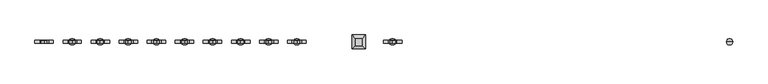
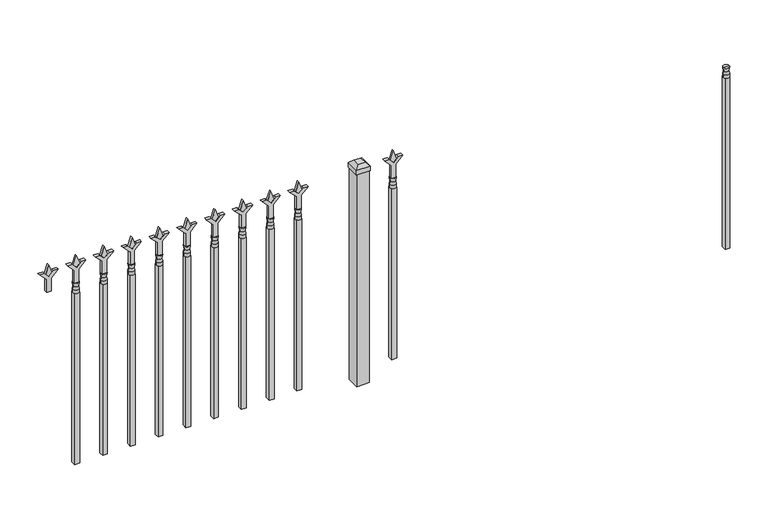
"""IFC4 building model written with IfcOpenShell, lengths in millimetres: railing geometry."""

import ifcopenshell
import ifcopenshell.guid

model = None  # the IFC model being written
_history = None  # IfcOwnerHistory: only IFC2X3 demands one
_inside = {}  # id of a spatial element -> (the spatial element, [elements in it])
_under = {}  # id of a project, library or spatial element -> (it, [spatial elements below it])
_declared = {}  # id of a project -> (the project, [libraries it declares])
_typed = {}  # id of a type object -> (the type object, [elements of that type])
_made_of = {}  # id of a material, layer set ... -> (it, [elements and type objects made of it])


def new_model(schema):
    """Start an empty IFC model of exactly this schema.

    Asked for "IFC4X3", IfcOpenShell would pick the latest addendum, in which some entities
    have other attributes; the version numbers below select the first issue.
    IFC2X3 requires an IfcOwnerHistory on every rooted entity: one is made here for all.
    """
    global model, _history
    if schema == "IFC4X3":
        model = ifcopenshell.file(schema_version=(4, 3, 0, 0))
    else:
        model = ifcopenshell.file(schema=schema)
    _inside.clear()
    _under.clear()
    _declared.clear()
    _typed.clear()
    _made_of.clear()
    _history = None
    if model.schema == "IFC2X3":
        org = make("IfcOrganization", Name="unknown")
        user = make(
            "IfcPersonAndOrganization",
            ThePerson=make("IfcPerson", FamilyName="unknown"),
            TheOrganization=org,
        )
        app = make(
            "IfcApplication",
            ApplicationDeveloper=org,
            Version="unknown",
            ApplicationFullName="unknown",
            ApplicationIdentifier="unknown",
        )
        _history = make(
            "IfcOwnerHistory",
            OwningUser=user,
            OwningApplication=app,
            ChangeAction="ADDED",
            CreationDate=0,
        )
    return model


def make(cls, **values):
    """One entity of the class cls with the attributes given. An attribute that is None is left unset."""
    return model.create_entity(
        cls, **{name: value for name, value in values.items() if value is not None}
    )


def rooted(cls, **values):
    """An entity with a GlobalId (a new one), such as an element, a storey or a relation."""
    return make(cls, GlobalId=ifcopenshell.guid.new(), OwnerHistory=_history, **values)


def si_unit(unit_type, name, prefix=None):
    """IfcSIUnit, for example si_unit("LENGTHUNIT", "METRE", prefix="MILLI")."""
    return make("IfcSIUnit", UnitType=unit_type, Prefix=prefix, Name=name)


def assignment(units):
    """IfcUnitAssignment: the units of a project."""
    return None if units is None else make("IfcUnitAssignment", Units=units)


def point(xyz):
    """IfcCartesianPoint."""
    return None if xyz is None else make("IfcCartesianPoint", Coordinates=xyz)


def direction(xyz):
    """IfcDirection."""
    return None if xyz is None else make("IfcDirection", DirectionRatios=xyz)


def frame(location, z_axis=None, x_axis=None):
    """IfcAxis2Placement3D, a coordinate frame: its origin and axes. An axis left out is left unset."""
    return make(
        "IfcAxis2Placement3D",
        Location=point(location),
        Axis=direction(z_axis),
        RefDirection=direction(x_axis),
    )


def origin():
    """The frame at (0, 0, 0) with its axes left unset."""
    return frame((0.0, 0.0, 0.0))


def origin_with_axes():
    """The frame at (0, 0, 0) with the z axis (0, 0, 1) and the x axis (1, 0, 0) written out."""
    return frame((0.0, 0.0, 0.0), z_axis=(0.0, 0.0, 1.0), x_axis=(1.0, 0.0, 0.0))


def place(relative_to, where):
    """IfcLocalPlacement: puts the frame where relative to a parent placement (None: the world)."""
    return make(
        "IfcLocalPlacement", PlacementRelTo=relative_to, RelativePlacement=where
    )


def context(
    kind, dimensions, precision=None, world=None, true_north=None, identifier=None
):
    """IfcGeometricRepresentationContext, for example the 3D "Model" context."""
    return make(
        "IfcGeometricRepresentationContext",
        ContextIdentifier=identifier,
        ContextType=kind,
        CoordinateSpaceDimension=dimensions,
        Precision=precision,
        WorldCoordinateSystem=world,
        TrueNorth=true_north,
    )


def project(units=None, contexts=None):
    """IfcProject with its units and contexts."""
    return rooted(
        "IfcProject",
        Name="project",
        RepresentationContexts=contexts,
        UnitsInContext=assignment(units),
    )


def spatial(cls, under=None, at=None, **own):
    """A site, building, storey or space (cls), placed at a placement, below another one or the project."""
    s = rooted(cls, ObjectPlacement=at, **own)
    if under is not None:
        _under.setdefault(under.id(), (under, []))[1].append(s)
    return s


def polyline(points):
    """IfcPolyline through the points."""
    return make("IfcPolyline", Points=[point(p) for p in points])


def circle_curve(where, radius):
    """IfcCircle in the frame where."""
    return make("IfcCircle", Position=where, Radius=radius)


def outline(outer, holes=None, kind="AREA"):
    """IfcArbitraryClosedProfileDef: a profile drawn as a closed curve; with holes, ...WithVoids."""
    if holes is None:
        return make("IfcArbitraryClosedProfileDef", ProfileType=kind, OuterCurve=outer)
    return make(
        "IfcArbitraryProfileDefWithVoids",
        ProfileType=kind,
        OuterCurve=outer,
        InnerCurves=holes,
    )


def extrude(swept, where, along, depth):
    """IfcExtrudedAreaSolid: the profile swept, set in the frame where, extruded along a direction by depth."""
    return make(
        "IfcExtrudedAreaSolid",
        SweptArea=swept,
        Position=where,
        ExtrudedDirection=direction(along),
        Depth=depth,
    )


def faces_of(points, faces, orient=None, outer=None):
    """IfcFace entities. A face is a list of loops; a loop is a list of indices into points, from 0.

    orient and outer hold one flag for each loop. By default every Orientation is true, the
    first loop of a face is its IfcFaceOuterBound and the others are IfcFaceBound.
    """
    made = []
    for i, loops in enumerate(faces):
        bounds = []
        for j, loop in enumerate(loops):
            is_outer = j == 0 if outer is None else outer[i][j]
            bounds.append(
                make(
                    "IfcFaceOuterBound" if is_outer else "IfcFaceBound",
                    Bound=make("IfcPolyLoop", Polygon=[points[k] for k in loop]),
                    Orientation=True if orient is None else orient[i][j],
                )
            )
        made.append(make("IfcFace", Bounds=bounds))
    return made


def faceted_brep(points, faces, orient=None, outer=None, voids=None):
    """IfcFacetedBrep: a solid bounded by flat faces; with voids (closed shells), ...WithVoids."""
    shared = [point(p) for p in points]
    hull = make("IfcClosedShell", CfsFaces=faces_of(shared, faces, orient, outer))
    if voids is None:
        return make("IfcFacetedBrep", Outer=hull)
    return make(
        "IfcFacetedBrepWithVoids",
        Outer=hull,
        Voids=[
            make(cls, CfsFaces=faces_of(shared, fs, o, b)) for cls, fs, o, b in voids
        ],
    )


def shape(context_of_items, identifier, shape_type, items):
    """IfcShapeRepresentation: the items that make up one representation, for example the "Body"."""
    return make(
        "IfcShapeRepresentation",
        ContextOfItems=context_of_items,
        RepresentationIdentifier=identifier,
        RepresentationType=shape_type,
        Items=items,
    )


def source(mapping_origin, context_of_items, identifier, shape_type, items):
    """IfcRepresentationMap: a shape defined once, which mapped items show again and again."""
    return make(
        "IfcRepresentationMap",
        MappingOrigin=mapping_origin,
        MappedRepresentation=shape(context_of_items, identifier, shape_type, items),
    )


def transform(
    local_origin,
    x_axis=None,
    y_axis=None,
    z_axis=None,
    scale=None,
    scale2=None,
    scale3=None,
    uniform=True,
):
    """IfcCartesianTransformationOperator3D, or its non-uniform kind. x_axis, y_axis, z_axis: its Axis1, 2, 3."""
    if uniform:
        return make(
            "IfcCartesianTransformationOperator3D",
            Axis1=direction(x_axis),
            Axis2=direction(y_axis),
            LocalOrigin=point(local_origin),
            Scale=scale,
            Axis3=direction(z_axis),
        )
    return make(
        "IfcCartesianTransformationOperator3DnonUniform",
        Axis1=direction(x_axis),
        Axis2=direction(y_axis),
        LocalOrigin=point(local_origin),
        Scale=scale,
        Axis3=direction(z_axis),
        Scale2=scale2,
        Scale3=scale3,
    )


def mapped(mapping_source, mapping_target):
    """IfcMappedItem: shows the shape of a source again, moved by a transform."""
    return make(
        "IfcMappedItem", MappingSource=mapping_source, MappingTarget=mapping_target
    )


def made_of(thing, what):
    """Note that an element or type object is made of a material, layer set ...; save() writes the relation."""
    if what is not None:
        _made_of.setdefault(what.id(), (what, []))[1].append(thing)
    return thing


def element(
    cls,
    number,
    at=None,
    inside=None,
    cuts=None,
    type_object=None,
    material=None,
    context=None,
    identifier="Body",
    shape_type=None,
    held_by="IfcProductDefinitionShape",
    body=None,
    shapes=None,
    **own,
):
    """One element of the class cls, such as IfcWall. Its Tag is "e" and its number.

    at: its placement. inside: the storey or other place that contains it. cuts: it is an
    opening in that element (IfcRelVoidsElement). A single representation is given by context,
    identifier, shape_type and body (its items); several are given by shapes. held_by: the class
    of the entity that holds the representations. save() writes the other relations.
    """
    e = rooted(cls, Tag="e%d" % number, ObjectPlacement=at, **own)
    if body is not None:
        shapes = [shape(context, identifier, shape_type, body)]
    if shapes is not None:
        e.Representation = make(held_by, Representations=shapes)
    if inside is not None:
        _inside.setdefault(inside.id(), (inside, []))[1].append(e)
    if cuts is not None:
        rooted(
            "IfcRelVoidsElement", RelatingBuildingElement=cuts, RelatedOpeningElement=e
        )
    if type_object is not None:
        _typed.setdefault(type_object.id(), (type_object, []))[1].append(e)
    return made_of(e, material)


def aggregate(whole, parts):
    """IfcRelAggregates: a whole, such as a stair, and the parts it consists of."""
    return rooted("IfcRelAggregates", RelatingObject=whole, RelatedObjects=parts)


def save(model, path):
    """Write the relations noted so far, then the file.

    IfcRelAggregates (storeys below a building ...), IfcRelContainedInSpatialStructure (elements
    in a storey), IfcRelDefinesByType, IfcRelAssociatesMaterial and IfcRelDeclares: one each for
    every whole, place, type object, material and project.
    """
    for whole, parts in _under.values():
        aggregate(whole, parts)
    for where, things in _inside.values():
        rooted(
            "IfcRelContainedInSpatialStructure",
            RelatedElements=things,
            RelatingStructure=where,
        )
    for kind, things in _typed.values():
        rooted("IfcRelDefinesByType", RelatedObjects=things, RelatingType=kind)
    for what, things in _made_of.values():
        rooted("IfcRelAssociatesMaterial", RelatedObjects=things, RelatingMaterial=what)
    for by, libraries in _declared.values():
        rooted("IfcRelDeclares", RelatingContext=by, RelatedDefinitions=libraries)
    model.write(path)


def plane_surface(at):
    """IfcPlane: the flat surface through the origin of the frame at, square to its z axis."""
    return make("IfcPlane", Position=at)


def cylinder_surface(at, radius):
    """IfcCylindricalSurface: all points at the distance radius from the z axis of the frame at."""
    return make("IfcCylindricalSurface", Position=at, Radius=radius)


def revolved_surface(curve, axis_point, axis_direction):
    """IfcSurfaceOfRevolution: the curve turned about the line through axis_point along axis_direction."""
    return make(
        "IfcSurfaceOfRevolution",
        SweptCurve=make("IfcArbitraryOpenProfileDef", ProfileType="CURVE", Curve=curve),
        AxisPosition=make("IfcAxis1Placement", Location=point(axis_point), Axis=direction(axis_direction)),
    )


def advanced_brep(points, edges, surfaces, faces):
    """IfcAdvancedBrep: a solid bounded by faces that lie on surfaces and meet in shared edges.

    An edge is (start, end): straight between two places in points (the first is 0);
    or (start, end, curve); or (start, end, curve, False) where it runs against its curve.
    A face is (place in surfaces, loops), or (place, loops, False) where it looks against
    its surface's normal. A loop lists edges by number (the first is 1), with a minus sign
    where the edge is run from its end to its start. The first loop is the outer one.
    """
    corners = [point(p) for p in points]
    vertices = [make("IfcVertexPoint", VertexGeometry=c) for c in corners]
    made = []
    for start, end, *more in edges:
        made.append(
            make(
                "IfcEdgeCurve",
                EdgeStart=vertices[start],
                EdgeEnd=vertices[end],
                EdgeGeometry=more[0] if more else make("IfcPolyline", Points=[corners[start], corners[end]]),
                SameSense=more[1] if len(more) > 1 else True,
            )
        )
    hull = []
    for where, loops, *sense in faces:
        bounds = []
        for j, loop in enumerate(loops):
            ring = [make("IfcOrientedEdge", EdgeElement=made[abs(k) - 1], Orientation=k > 0) for k in loop]
            bounds.append(
                make(
                    "IfcFaceOuterBound" if j == 0 else "IfcFaceBound",
                    Bound=make("IfcEdgeLoop", EdgeList=ring),
                    Orientation=True,
                )
            )
        hull.append(make("IfcAdvancedFace", Bounds=bounds, FaceSurface=surfaces[where], SameSense=sense[0] if sense else True))
    return make("IfcAdvancedBrep", Outer=make("IfcClosedShell", CfsFaces=hull))


def railing_152a864f(model_context):
    return source(origin(), model_context, "Body", "SolidModel", [
        advanced_brep(
        [(-88770.174337, -9169.6570174, 774.7), (-88793.986837, -9169.6570174, 774.7), (-88793.986837, -9169.6570174, 762.0), (-88770.174337, -9169.6570174, 762.0), (-88772.3796688, -9169.6570174, 787.2070585), (-88791.7815051, -9169.6570174, 787.2070585), (-88770.174337, -9169.6570174, 803.275), (-88793.986837, -9169.6570174, 803.275), (-88782.080587, -9169.6570174, 803.275), (-88782.080587, -9169.6570174, 762.0)],
        [
            (0, 1, circle_curve(frame((-88782.080587, -9169.6570174, 774.7), z_axis=(0.0, 0.0, -1.0), x_axis=(-1.0, 0.0, 0.0)), 11.90625)),
            (1, 2),
            (2, 3, circle_curve(frame((-88782.080587, -9169.6570174, 762.0), z_axis=(0.0, 0.0, 1.0), x_axis=(-1.0, 0.0, 0.0)), 11.90625)),
            (3, 0),
            (1, 0, circle_curve(frame((-88782.080587, -9169.6570174, 774.7), z_axis=(0.0, 0.0, -1.0), x_axis=(-1.0, 0.0, 0.0)), 11.90625)),
            (3, 2, circle_curve(frame((-88782.080587, -9169.6570174, 762.0), z_axis=(0.0, 0.0, 1.0), x_axis=(-1.0, 0.0, 0.0)), 11.90625)),
            (4, 5, circle_curve(frame((-88782.080587, -9169.6570174, 787.2070585), z_axis=(0.0, 0.0, -1.0), x_axis=(-1.0, 0.0, 0.0)), 9.7009181)),
            (5, 1),
            (0, 4),
            (5, 4, circle_curve(frame((-88782.080587, -9169.6570174, 787.2070585), z_axis=(0.0, 0.0, -1.0), x_axis=(-1.0, 0.0, 0.0)), 9.7009181)),
            (6, 7, circle_curve(frame((-88782.080587, -9169.6570174, 803.275), z_axis=(0.0, 0.0, -1.0), x_axis=(-1.0, 0.0, 0.0)), 11.90625)),
            (7, 5),
            (4, 6),
            (7, 6, circle_curve(frame((-88782.080587, -9169.6570174, 803.275), z_axis=(0.0, 0.0, -1.0), x_axis=(-1.0, 0.0, 0.0)), 11.90625)),
            (8, 7),
            (6, 8),
            (2, 9),
            (9, 3),
        ],
        [
            cylinder_surface(frame((-88782.080587, -9169.6570174, 762.0), z_axis=(0.0, 0.0, 1.0), x_axis=(-1.0, 0.0, 0.0)), 11.90625),
            revolved_surface(polyline([(-88793.986837, -9169.6570174, 774.7), (-88791.7815051, -9169.6570174, 787.2070585)]), (-88782.080587, -9169.6570174, 762.0), (0.0, 0.0, 1.0)),
            revolved_surface(polyline([(-88791.7815051, -9169.6570174, 787.2070585), (-88793.986837, -9169.6570174, 803.275)]), (-88782.080587, -9169.6570174, 762.0), (0.0, 0.0, 1.0)),
            plane_surface(frame((-88782.080587, -9169.6570174, 803.275), z_axis=(0.0, 0.0, 1.0), x_axis=(-1.0, 0.0, 0.0))),
            plane_surface(frame((-88782.080587, -9169.6570174, 762.0), z_axis=(0.0, 0.0, -1.0), x_axis=(-1.0, 0.0, 0.0))),
        ],
        [
            (0, [[1, 2, 3, 4]]),
            (0, [[5, -4, 6, -2]]),
            (1, [[7, 8, -1, 9]]),
            (1, [[10, -9, -5, -8]]),
            (2, [[11, 12, -7, 13]]),
            (2, [[14, -13, -10, -12]]),
            (3, [[15, -11, 16]]),
            (3, [[-16, -14, -15]]),
            (4, [[-3, 17, 18]]),
            (4, [[-6, -18, -17]]),
        ],
    ),
        extrude(outline(polyline([(-88791.605587, -9160.1320174), (-88772.555587, -9160.1320174), (-88772.555587, -9179.1820174), (-88791.605587, -9179.1820174), (-88791.605587, -9160.1320174)])), frame((0.0, 0.0, 50.8), z_axis=(0.0, 0.0, 1.0), x_axis=(1.0, 0.0, 0.0)), (0.0, 0.0, 1.0), 711.2),
        extrude(outline(polyline([(878.68125, -90081.449337), (914.4, -90093.355587), (878.68125, -90105.261837), (866.775, -90093.355587), (878.68125, -90081.449337)])), frame((0.0, -9174.4195174, 0.0), z_axis=(0.0, 1.0, 0.0), x_axis=(0.0, 0.0, 1.0)), (0.0, 0.0, 1.0), 9.525),
        extrude(outline(polyline([(803.275, -90084.624337), (857.5457378, -90084.624337), (884.7355122, -90057.4345625), (884.7355122, -90075.3950747), (866.775, -90093.355587), (884.7355122, -90111.3160992), (884.7355122, -90129.2766114), (857.5457378, -90102.086837), (803.275, -90102.086837), (803.275, -90084.624337)])), frame((0.0, -9176.0070174, 0.0), z_axis=(0.0, 1.0, 0.0), x_axis=(0.0, 0.0, 1.0)), (0.0, 0.0, 1.0), 12.7),
        advanced_brep(
        [(-90081.449337, -9169.6570174, 774.7), (-90105.261837, -9169.6570174, 774.7), (-90105.261837, -9169.6570174, 762.0), (-90081.449337, -9169.6570174, 762.0), (-90083.6546688, -9169.6570174, 787.2070585), (-90103.0565051, -9169.6570174, 787.2070585), (-90081.449337, -9169.6570174, 803.275), (-90105.261837, -9169.6570174, 803.275), (-90093.355587, -9169.6570174, 803.275), (-90093.355587, -9169.6570174, 762.0)],
        [
            (0, 1, circle_curve(frame((-90093.355587, -9169.6570174, 774.7), z_axis=(0.0, 0.0, -1.0), x_axis=(-1.0, 0.0, 0.0)), 11.90625)),
            (1, 2),
            (2, 3, circle_curve(frame((-90093.355587, -9169.6570174, 762.0), z_axis=(0.0, 0.0, 1.0), x_axis=(-1.0, 0.0, 0.0)), 11.90625)),
            (3, 0),
            (1, 0, circle_curve(frame((-90093.355587, -9169.6570174, 774.7), z_axis=(0.0, 0.0, -1.0), x_axis=(-1.0, 0.0, 0.0)), 11.90625)),
            (3, 2, circle_curve(frame((-90093.355587, -9169.6570174, 762.0), z_axis=(0.0, 0.0, 1.0), x_axis=(-1.0, 0.0, 0.0)), 11.90625)),
            (4, 5, circle_curve(frame((-90093.355587, -9169.6570174, 787.2070585), z_axis=(0.0, 0.0, -1.0), x_axis=(-1.0, 0.0, 0.0)), 9.7009181)),
            (5, 1),
            (0, 4),
            (5, 4, circle_curve(frame((-90093.355587, -9169.6570174, 787.2070585), z_axis=(0.0, 0.0, -1.0), x_axis=(-1.0, 0.0, 0.0)), 9.7009181)),
            (6, 7, circle_curve(frame((-90093.355587, -9169.6570174, 803.275), z_axis=(0.0, 0.0, -1.0), x_axis=(-1.0, 0.0, 0.0)), 11.90625)),
            (7, 5),
            (4, 6),
            (7, 6, circle_curve(frame((-90093.355587, -9169.6570174, 803.275), z_axis=(0.0, 0.0, -1.0), x_axis=(-1.0, 0.0, 0.0)), 11.90625)),
            (8, 7),
            (6, 8),
            (2, 9),
            (9, 3),
        ],
        [
            cylinder_surface(frame((-90093.355587, -9169.6570174, 762.0), z_axis=(0.0, 0.0, 1.0), x_axis=(-1.0, 0.0, 0.0)), 11.90625),
            revolved_surface(polyline([(-90105.261837, -9169.6570174, 774.7), (-90103.0565051, -9169.6570174, 787.2070585)]), (-90093.355587, -9169.6570174, 762.0), (0.0, 0.0, 1.0)),
            revolved_surface(polyline([(-90103.0565051, -9169.6570174, 787.2070585), (-90105.261837, -9169.6570174, 803.275)]), (-90093.355587, -9169.6570174, 762.0), (0.0, 0.0, 1.0)),
            plane_surface(frame((-90093.355587, -9169.6570174, 803.275), z_axis=(0.0, 0.0, 1.0), x_axis=(-1.0, 0.0, 0.0))),
            plane_surface(frame((-90093.355587, -9169.6570174, 762.0), z_axis=(0.0, 0.0, -1.0), x_axis=(-1.0, 0.0, 0.0))),
        ],
        [
            (0, [[1, 2, 3, 4]]),
            (0, [[5, -4, 6, -2]]),
            (1, [[7, 8, -1, 9]]),
            (1, [[10, -9, -5, -8]]),
            (2, [[11, 12, -7, 13]]),
            (2, [[14, -13, -10, -12]]),
            (3, [[15, -11, 16]]),
            (3, [[-16, -14, -15]]),
            (4, [[-3, 17, 18]]),
            (4, [[-6, -18, -17]]),
        ],
    ),
        extrude(outline(polyline([(-90102.880587, -9160.1320174), (-90083.830587, -9160.1320174), (-90083.830587, -9179.1820174), (-90102.880587, -9179.1820174), (-90102.880587, -9160.1320174)])), frame((0.0, 0.0, 50.8), z_axis=(0.0, 0.0, 1.0), x_axis=(1.0, 0.0, 0.0)), (0.0, 0.0, 1.0), 711.2),
        faceted_brep([(-90252.105587, -9142.6695174, 901.7), (-90252.105587, -9142.6695174, 882.65), (-90252.105587, -9196.6445174, 882.65), (-90252.105587, -9196.6445174, 901.7), (-90239.405587, -9155.3695174, 914.4), (-90239.405587, -9183.9445174, 914.4), (-90198.130587, -9196.6445174, 882.65), (-90198.130587, -9196.6445174, 901.7), (-90210.830587, -9183.9445174, 914.4), (-90198.130587, -9142.6695174, 882.65), (-90198.130587, -9142.6695174, 901.7), (-90210.830587, -9155.3695174, 914.4)], [[[0, 1, 2, 3]], [[4, 0, 3, 5]], [[3, 2, 6, 7]], [[5, 3, 7, 8]], [[7, 6, 9, 10]], [[8, 7, 10, 11]], [[10, 9, 1, 0]], [[11, 10, 0, 4]], [[5, 8, 11, 4]], [[1, 9, 6, 2]]]),
        extrude(outline(polyline([(-90199.718087, -9144.2570174), (-90199.718087, -9195.0570174), (-90250.518087, -9195.0570174), (-90250.518087, -9144.2570174), (-90199.718087, -9144.2570174)])), origin_with_axes(), (0.0, 0.0, 1.0), 882.65),
        extrude(outline(polyline([(878.68125, -90454.2472536), (914.4, -90466.1535036), (878.68125, -90478.0597536), (866.775, -90466.1535036), (878.68125, -90454.2472536)])), frame((0.0, -9174.4195174, 0.0), z_axis=(0.0, 1.0, 0.0), x_axis=(0.0, 0.0, 1.0)), (0.0, 0.0, 1.0), 9.525),
        extrude(outline(polyline([(803.275, -90457.4222536), (857.5457378, -90457.4222536), (884.7355122, -90430.2324791), (884.7355122, -90448.1929914), (866.775, -90466.1535036), (884.7355122, -90484.1140159), (884.7355122, -90502.0745281), (857.5457378, -90474.8847536), (803.275, -90474.8847536), (803.275, -90457.4222536)])), frame((0.0, -9176.0070174, 0.0), z_axis=(0.0, 1.0, 0.0), x_axis=(0.0, 0.0, 1.0)), (0.0, 0.0, 1.0), 12.7),
        advanced_brep(
        [(-90454.2472536, -9169.6570174, 774.7), (-90478.0597536, -9169.6570174, 774.7), (-90478.0597536, -9169.6570174, 762.0), (-90454.2472536, -9169.6570174, 762.0), (-90456.4525855, -9169.6570174, 787.2070585), (-90475.8544218, -9169.6570174, 787.2070585), (-90454.2472536, -9169.6570174, 803.275), (-90478.0597536, -9169.6570174, 803.275), (-90466.1535036, -9169.6570174, 803.275), (-90466.1535036, -9169.6570174, 762.0)],
        [
            (0, 1, circle_curve(frame((-90466.1535036, -9169.6570174, 774.7), z_axis=(0.0, 0.0, -1.0), x_axis=(-1.0, 0.0, 0.0)), 11.90625)),
            (1, 2),
            (2, 3, circle_curve(frame((-90466.1535036, -9169.6570174, 762.0), z_axis=(0.0, 0.0, 1.0), x_axis=(-1.0, 0.0, 0.0)), 11.90625)),
            (3, 0),
            (1, 0, circle_curve(frame((-90466.1535036, -9169.6570174, 774.7), z_axis=(0.0, 0.0, -1.0), x_axis=(-1.0, 0.0, 0.0)), 11.90625)),
            (3, 2, circle_curve(frame((-90466.1535036, -9169.6570174, 762.0), z_axis=(0.0, 0.0, 1.0), x_axis=(-1.0, 0.0, 0.0)), 11.90625)),
            (4, 5, circle_curve(frame((-90466.1535036, -9169.6570174, 787.2070585), z_axis=(0.0, 0.0, -1.0), x_axis=(-1.0, 0.0, 0.0)), 9.7009181)),
            (5, 1),
            (0, 4),
            (5, 4, circle_curve(frame((-90466.1535036, -9169.6570174, 787.2070585), z_axis=(0.0, 0.0, -1.0), x_axis=(-1.0, 0.0, 0.0)), 9.7009181)),
            (6, 7, circle_curve(frame((-90466.1535036, -9169.6570174, 803.275), z_axis=(0.0, 0.0, -1.0), x_axis=(-1.0, 0.0, 0.0)), 11.90625)),
            (7, 5),
            (4, 6),
            (7, 6, circle_curve(frame((-90466.1535036, -9169.6570174, 803.275), z_axis=(0.0, 0.0, -1.0), x_axis=(-1.0, 0.0, 0.0)), 11.90625)),
            (8, 7),
            (6, 8),
            (2, 9),
            (9, 3),
        ],
        [
            cylinder_surface(frame((-90466.1535036, -9169.6570174, 762.0), z_axis=(0.0, 0.0, 1.0), x_axis=(-1.0, 0.0, 0.0)), 11.90625),
            revolved_surface(polyline([(-90478.0597536, -9169.6570174, 774.7), (-90475.8544218, -9169.6570174, 787.2070585)]), (-90466.1535036, -9169.6570174, 762.0), (0.0, 0.0, 1.0)),
            revolved_surface(polyline([(-90475.8544218, -9169.6570174, 787.2070585), (-90478.0597536, -9169.6570174, 803.275)]), (-90466.1535036, -9169.6570174, 762.0), (0.0, 0.0, 1.0)),
            plane_surface(frame((-90466.1535036, -9169.6570174, 803.275), z_axis=(0.0, 0.0, 1.0), x_axis=(-1.0, 0.0, 0.0))),
            plane_surface(frame((-90466.1535036, -9169.6570174, 762.0), z_axis=(0.0, 0.0, -1.0), x_axis=(-1.0, 0.0, 0.0))),
        ],
        [
            (0, [[1, 2, 3, 4]]),
            (0, [[5, -4, 6, -2]]),
            (1, [[7, 8, -1, 9]]),
            (1, [[10, -9, -5, -8]]),
            (2, [[11, 12, -7, 13]]),
            (2, [[14, -13, -10, -12]]),
            (3, [[15, -11, 16]]),
            (3, [[-16, -14, -15]]),
            (4, [[-3, 17, 18]]),
            (4, [[-6, -18, -17]]),
        ],
    ),
        extrude(outline(polyline([(-90475.6785036, -9160.1320174), (-90456.6285036, -9160.1320174), (-90456.6285036, -9179.1820174), (-90475.6785036, -9179.1820174), (-90475.6785036, -9160.1320174)])), frame((0.0, 0.0, 50.8), z_axis=(0.0, 0.0, 1.0), x_axis=(1.0, 0.0, 0.0)), (0.0, 0.0, 1.0), 711.2),
        extrude(outline(polyline([(878.68125, -90563.5201703), (914.4, -90575.4264203), (878.68125, -90587.3326703), (866.775, -90575.4264203), (878.68125, -90563.5201703)])), frame((0.0, -9174.4195174, 0.0), z_axis=(0.0, 1.0, 0.0), x_axis=(0.0, 0.0, 1.0)), (0.0, 0.0, 1.0), 9.525),
        extrude(outline(polyline([(803.275, -90566.6951703), (857.5457378, -90566.6951703), (884.7355122, -90539.5053958), (884.7355122, -90557.4659081), (866.775, -90575.4264203), (884.7355122, -90593.3869325), (884.7355122, -90611.3474448), (857.5457378, -90584.1576703), (803.275, -90584.1576703), (803.275, -90566.6951703)])), frame((0.0, -9176.0070174, 0.0), z_axis=(0.0, 1.0, 0.0), x_axis=(0.0, 0.0, 1.0)), (0.0, 0.0, 1.0), 12.7),
        advanced_brep(
        [(-90563.5201703, -9169.6570174, 774.7), (-90587.3326703, -9169.6570174, 774.7), (-90587.3326703, -9169.6570174, 762.0), (-90563.5201703, -9169.6570174, 762.0), (-90565.7255022, -9169.6570174, 787.2070585), (-90585.1273384, -9169.6570174, 787.2070585), (-90563.5201703, -9169.6570174, 803.275), (-90587.3326703, -9169.6570174, 803.275), (-90575.4264203, -9169.6570174, 803.275), (-90575.4264203, -9169.6570174, 762.0)],
        [
            (0, 1, circle_curve(frame((-90575.4264203, -9169.6570174, 774.7), z_axis=(0.0, 0.0, -1.0), x_axis=(-1.0, 0.0, 0.0)), 11.90625)),
            (1, 2),
            (2, 3, circle_curve(frame((-90575.4264203, -9169.6570174, 762.0), z_axis=(0.0, 0.0, 1.0), x_axis=(-1.0, 0.0, 0.0)), 11.90625)),
            (3, 0),
            (1, 0, circle_curve(frame((-90575.4264203, -9169.6570174, 774.7), z_axis=(0.0, 0.0, -1.0), x_axis=(-1.0, 0.0, 0.0)), 11.90625)),
            (3, 2, circle_curve(frame((-90575.4264203, -9169.6570174, 762.0), z_axis=(0.0, 0.0, 1.0), x_axis=(-1.0, 0.0, 0.0)), 11.90625)),
            (4, 5, circle_curve(frame((-90575.4264203, -9169.6570174, 787.2070585), z_axis=(0.0, 0.0, -1.0), x_axis=(-1.0, 0.0, 0.0)), 9.7009181)),
            (5, 1),
            (0, 4),
            (5, 4, circle_curve(frame((-90575.4264203, -9169.6570174, 787.2070585), z_axis=(0.0, 0.0, -1.0), x_axis=(-1.0, 0.0, 0.0)), 9.7009181)),
            (6, 7, circle_curve(frame((-90575.4264203, -9169.6570174, 803.275), z_axis=(0.0, 0.0, -1.0), x_axis=(-1.0, 0.0, 0.0)), 11.90625)),
            (7, 5),
            (4, 6),
            (7, 6, circle_curve(frame((-90575.4264203, -9169.6570174, 803.275), z_axis=(0.0, 0.0, -1.0), x_axis=(-1.0, 0.0, 0.0)), 11.90625)),
            (8, 7),
            (6, 8),
            (2, 9),
            (9, 3),
        ],
        [
            cylinder_surface(frame((-90575.4264203, -9169.6570174, 762.0), z_axis=(0.0, 0.0, 1.0), x_axis=(-1.0, 0.0, 0.0)), 11.90625),
            revolved_surface(polyline([(-90587.3326703, -9169.6570174, 774.7), (-90585.1273384, -9169.6570174, 787.2070585)]), (-90575.4264203, -9169.6570174, 762.0), (0.0, 0.0, 1.0)),
            revolved_surface(polyline([(-90585.1273384, -9169.6570174, 787.2070585), (-90587.3326703, -9169.6570174, 803.275)]), (-90575.4264203, -9169.6570174, 762.0), (0.0, 0.0, 1.0)),
            plane_surface(frame((-90575.4264203, -9169.6570174, 803.275), z_axis=(0.0, 0.0, 1.0), x_axis=(-1.0, 0.0, 0.0))),
            plane_surface(frame((-90575.4264203, -9169.6570174, 762.0), z_axis=(0.0, 0.0, -1.0), x_axis=(-1.0, 0.0, 0.0))),
        ],
        [
            (0, [[1, 2, 3, 4]]),
            (0, [[5, -4, 6, -2]]),
            (1, [[7, 8, -1, 9]]),
            (1, [[10, -9, -5, -8]]),
            (2, [[11, 12, -7, 13]]),
            (2, [[14, -13, -10, -12]]),
            (3, [[15, -11, 16]]),
            (3, [[-16, -14, -15]]),
            (4, [[-3, 17, 18]]),
            (4, [[-6, -18, -17]]),
        ],
    ),
        extrude(outline(polyline([(-90584.9514203, -9160.1320174), (-90565.9014203, -9160.1320174), (-90565.9014203, -9179.1820174), (-90584.9514203, -9179.1820174), (-90584.9514203, -9160.1320174)])), frame((0.0, 0.0, 50.8), z_axis=(0.0, 0.0, 1.0), x_axis=(1.0, 0.0, 0.0)), (0.0, 0.0, 1.0), 711.2),
        extrude(outline(polyline([(878.68125, -90672.793087), (914.4, -90684.699337), (878.68125, -90696.605587), (866.775, -90684.699337), (878.68125, -90672.793087)])), frame((0.0, -9174.4195174, 0.0), z_axis=(0.0, 1.0, 0.0), x_axis=(0.0, 0.0, 1.0)), (0.0, 0.0, 1.0), 9.525),
        extrude(outline(polyline([(803.275, -90675.968087), (857.5457378, -90675.968087), (884.7355122, -90648.7783125), (884.7355122, -90666.7388247), (866.775, -90684.699337), (884.7355122, -90702.6598492), (884.7355122, -90720.6203614), (857.5457378, -90693.430587), (803.275, -90693.430587), (803.275, -90675.968087)])), frame((0.0, -9176.0070174, 0.0), z_axis=(0.0, 1.0, 0.0), x_axis=(0.0, 0.0, 1.0)), (0.0, 0.0, 1.0), 12.7),
        advanced_brep(
        [(-90672.793087, -9169.6570174, 774.7), (-90696.605587, -9169.6570174, 774.7), (-90696.605587, -9169.6570174, 762.0), (-90672.793087, -9169.6570174, 762.0), (-90674.9984188, -9169.6570174, 787.2070585), (-90694.4002551, -9169.6570174, 787.2070585), (-90672.793087, -9169.6570174, 803.275), (-90696.605587, -9169.6570174, 803.275), (-90684.699337, -9169.6570174, 803.275), (-90684.699337, -9169.6570174, 762.0)],
        [
            (0, 1, circle_curve(frame((-90684.699337, -9169.6570174, 774.7), z_axis=(0.0, 0.0, -1.0), x_axis=(-1.0, 0.0, 0.0)), 11.90625)),
            (1, 2),
            (2, 3, circle_curve(frame((-90684.699337, -9169.6570174, 762.0), z_axis=(0.0, 0.0, 1.0), x_axis=(-1.0, 0.0, 0.0)), 11.90625)),
            (3, 0),
            (1, 0, circle_curve(frame((-90684.699337, -9169.6570174, 774.7), z_axis=(0.0, 0.0, -1.0), x_axis=(-1.0, 0.0, 0.0)), 11.90625)),
            (3, 2, circle_curve(frame((-90684.699337, -9169.6570174, 762.0), z_axis=(0.0, 0.0, 1.0), x_axis=(-1.0, 0.0, 0.0)), 11.90625)),
            (4, 5, circle_curve(frame((-90684.699337, -9169.6570174, 787.2070585), z_axis=(0.0, 0.0, -1.0), x_axis=(-1.0, 0.0, 0.0)), 9.7009181)),
            (5, 1),
            (0, 4),
            (5, 4, circle_curve(frame((-90684.699337, -9169.6570174, 787.2070585), z_axis=(0.0, 0.0, -1.0), x_axis=(-1.0, 0.0, 0.0)), 9.7009181)),
            (6, 7, circle_curve(frame((-90684.699337, -9169.6570174, 803.275), z_axis=(0.0, 0.0, -1.0), x_axis=(-1.0, 0.0, 0.0)), 11.90625)),
            (7, 5),
            (4, 6),
            (7, 6, circle_curve(frame((-90684.699337, -9169.6570174, 803.275), z_axis=(0.0, 0.0, -1.0), x_axis=(-1.0, 0.0, 0.0)), 11.90625)),
            (8, 7),
            (6, 8),
            (2, 9),
            (9, 3),
        ],
        [
            cylinder_surface(frame((-90684.699337, -9169.6570174, 762.0), z_axis=(0.0, 0.0, 1.0), x_axis=(-1.0, 0.0, 0.0)), 11.90625),
            revolved_surface(polyline([(-90696.605587, -9169.6570174, 774.7), (-90694.4002551, -9169.6570174, 787.2070585)]), (-90684.699337, -9169.6570174, 762.0), (0.0, 0.0, 1.0)),
            revolved_surface(polyline([(-90694.4002551, -9169.6570174, 787.2070585), (-90696.605587, -9169.6570174, 803.275)]), (-90684.699337, -9169.6570174, 762.0), (0.0, 0.0, 1.0)),
            plane_surface(frame((-90684.699337, -9169.6570174, 803.275), z_axis=(0.0, 0.0, 1.0), x_axis=(-1.0, 0.0, 0.0))),
            plane_surface(frame((-90684.699337, -9169.6570174, 762.0), z_axis=(0.0, 0.0, -1.0), x_axis=(-1.0, 0.0, 0.0))),
        ],
        [
            (0, [[1, 2, 3, 4]]),
            (0, [[5, -4, 6, -2]]),
            (1, [[7, 8, -1, 9]]),
            (1, [[10, -9, -5, -8]]),
            (2, [[11, 12, -7, 13]]),
            (2, [[14, -13, -10, -12]]),
            (3, [[15, -11, 16]]),
            (3, [[-16, -14, -15]]),
            (4, [[-3, 17, 18]]),
            (4, [[-6, -18, -17]]),
        ],
    ),
        extrude(outline(polyline([(-90694.224337, -9160.1320174), (-90675.174337, -9160.1320174), (-90675.174337, -9179.1820174), (-90694.224337, -9179.1820174), (-90694.224337, -9160.1320174)])), frame((0.0, 0.0, 50.8), z_axis=(0.0, 0.0, 1.0), x_axis=(1.0, 0.0, 0.0)), (0.0, 0.0, 1.0), 711.2),
        extrude(outline(polyline([(878.68125, -90782.0660036), (914.4, -90793.9722536), (878.68125, -90805.8785036), (866.775, -90793.9722536), (878.68125, -90782.0660036)])), frame((0.0, -9174.4195174, 0.0), z_axis=(0.0, 1.0, 0.0), x_axis=(0.0, 0.0, 1.0)), (0.0, 0.0, 1.0), 9.525),
        extrude(outline(polyline([(803.275, -90785.2410036), (857.5457378, -90785.2410036), (884.7355122, -90758.0512291), (884.7355122, -90776.0117414), (866.775, -90793.9722536), (884.7355122, -90811.9327659), (884.7355122, -90829.8932781), (857.5457378, -90802.7035036), (803.275, -90802.7035036), (803.275, -90785.2410036)])), frame((0.0, -9176.0070174, 0.0), z_axis=(0.0, 1.0, 0.0), x_axis=(0.0, 0.0, 1.0)), (0.0, 0.0, 1.0), 12.7),
        advanced_brep(
        [(-90782.0660036, -9169.6570174, 774.7), (-90805.8785036, -9169.6570174, 774.7), (-90805.8785036, -9169.6570174, 762.0), (-90782.0660036, -9169.6570174, 762.0), (-90784.2713355, -9169.6570174, 787.2070585), (-90803.6731718, -9169.6570174, 787.2070585), (-90782.0660036, -9169.6570174, 803.275), (-90805.8785036, -9169.6570174, 803.275), (-90793.9722536, -9169.6570174, 803.275), (-90793.9722536, -9169.6570174, 762.0)],
        [
            (0, 1, circle_curve(frame((-90793.9722536, -9169.6570174, 774.7), z_axis=(0.0, 0.0, -1.0), x_axis=(-1.0, 0.0, 0.0)), 11.90625)),
            (1, 2),
            (2, 3, circle_curve(frame((-90793.9722536, -9169.6570174, 762.0), z_axis=(0.0, 0.0, 1.0), x_axis=(-1.0, 0.0, 0.0)), 11.90625)),
            (3, 0),
            (1, 0, circle_curve(frame((-90793.9722536, -9169.6570174, 774.7), z_axis=(0.0, 0.0, -1.0), x_axis=(-1.0, 0.0, 0.0)), 11.90625)),
            (3, 2, circle_curve(frame((-90793.9722536, -9169.6570174, 762.0), z_axis=(0.0, 0.0, 1.0), x_axis=(-1.0, 0.0, 0.0)), 11.90625)),
            (4, 5, circle_curve(frame((-90793.9722536, -9169.6570174, 787.2070585), z_axis=(0.0, 0.0, -1.0), x_axis=(-1.0, 0.0, 0.0)), 9.7009181)),
            (5, 1),
            (0, 4),
            (5, 4, circle_curve(frame((-90793.9722536, -9169.6570174, 787.2070585), z_axis=(0.0, 0.0, -1.0), x_axis=(-1.0, 0.0, 0.0)), 9.7009181)),
            (6, 7, circle_curve(frame((-90793.9722536, -9169.6570174, 803.275), z_axis=(0.0, 0.0, -1.0), x_axis=(-1.0, 0.0, 0.0)), 11.90625)),
            (7, 5),
            (4, 6),
            (7, 6, circle_curve(frame((-90793.9722536, -9169.6570174, 803.275), z_axis=(0.0, 0.0, -1.0), x_axis=(-1.0, 0.0, 0.0)), 11.90625)),
            (8, 7),
            (6, 8),
            (2, 9),
            (9, 3),
        ],
        [
            cylinder_surface(frame((-90793.9722536, -9169.6570174, 762.0), z_axis=(0.0, 0.0, 1.0), x_axis=(-1.0, 0.0, 0.0)), 11.90625),
            revolved_surface(polyline([(-90805.8785036, -9169.6570174, 774.7), (-90803.6731718, -9169.6570174, 787.2070585)]), (-90793.9722536, -9169.6570174, 762.0), (0.0, 0.0, 1.0)),
            revolved_surface(polyline([(-90803.6731718, -9169.6570174, 787.2070585), (-90805.8785036, -9169.6570174, 803.275)]), (-90793.9722536, -9169.6570174, 762.0), (0.0, 0.0, 1.0)),
            plane_surface(frame((-90793.9722536, -9169.6570174, 803.275), z_axis=(0.0, 0.0, 1.0), x_axis=(-1.0, 0.0, 0.0))),
            plane_surface(frame((-90793.9722536, -9169.6570174, 762.0), z_axis=(0.0, 0.0, -1.0), x_axis=(-1.0, 0.0, 0.0))),
        ],
        [
            (0, [[1, 2, 3, 4]]),
            (0, [[5, -4, 6, -2]]),
            (1, [[7, 8, -1, 9]]),
            (1, [[10, -9, -5, -8]]),
            (2, [[11, 12, -7, 13]]),
            (2, [[14, -13, -10, -12]]),
            (3, [[15, -11, 16]]),
            (3, [[-16, -14, -15]]),
            (4, [[-3, 17, 18]]),
            (4, [[-6, -18, -17]]),
        ],
    ),
        extrude(outline(polyline([(-90803.4972536, -9160.1320174), (-90784.4472536, -9160.1320174), (-90784.4472536, -9179.1820174), (-90803.4972536, -9179.1820174), (-90803.4972536, -9160.1320174)])), frame((0.0, 0.0, 50.8), z_axis=(0.0, 0.0, 1.0), x_axis=(1.0, 0.0, 0.0)), (0.0, 0.0, 1.0), 711.2),
        extrude(outline(polyline([(878.68125, -90891.3389203), (914.4, -90903.2451703), (878.68125, -90915.1514203), (866.775, -90903.2451703), (878.68125, -90891.3389203)])), frame((0.0, -9174.4195174, 0.0), z_axis=(0.0, 1.0, 0.0), x_axis=(0.0, 0.0, 1.0)), (0.0, 0.0, 1.0), 9.525),
        extrude(outline(polyline([(803.275, -90894.5139203), (857.5457378, -90894.5139203), (884.7355122, -90867.3241458), (884.7355122, -90885.2846581), (866.775, -90903.2451703), (884.7355122, -90921.2056825), (884.7355122, -90939.1661948), (857.5457378, -90911.9764203), (803.275, -90911.9764203), (803.275, -90894.5139203)])), frame((0.0, -9176.0070174, 0.0), z_axis=(0.0, 1.0, 0.0), x_axis=(0.0, 0.0, 1.0)), (0.0, 0.0, 1.0), 12.7),
        advanced_brep(
        [(-90891.3389203, -9169.6570174, 774.7), (-90915.1514203, -9169.6570174, 774.7), (-90915.1514203, -9169.6570174, 762.0), (-90891.3389203, -9169.6570174, 762.0), (-90893.5442522, -9169.6570174, 787.2070585), (-90912.9460884, -9169.6570174, 787.2070585), (-90891.3389203, -9169.6570174, 803.275), (-90915.1514203, -9169.6570174, 803.275), (-90903.2451703, -9169.6570174, 803.275), (-90903.2451703, -9169.6570174, 762.0)],
        [
            (0, 1, circle_curve(frame((-90903.2451703, -9169.6570174, 774.7), z_axis=(0.0, 0.0, -1.0), x_axis=(-1.0, 0.0, 0.0)), 11.90625)),
            (1, 2),
            (2, 3, circle_curve(frame((-90903.2451703, -9169.6570174, 762.0), z_axis=(0.0, 0.0, 1.0), x_axis=(-1.0, 0.0, 0.0)), 11.90625)),
            (3, 0),
            (1, 0, circle_curve(frame((-90903.2451703, -9169.6570174, 774.7), z_axis=(0.0, 0.0, -1.0), x_axis=(-1.0, 0.0, 0.0)), 11.90625)),
            (3, 2, circle_curve(frame((-90903.2451703, -9169.6570174, 762.0), z_axis=(0.0, 0.0, 1.0), x_axis=(-1.0, 0.0, 0.0)), 11.90625)),
            (4, 5, circle_curve(frame((-90903.2451703, -9169.6570174, 787.2070585), z_axis=(0.0, 0.0, -1.0), x_axis=(-1.0, 0.0, 0.0)), 9.7009181)),
            (5, 1),
            (0, 4),
            (5, 4, circle_curve(frame((-90903.2451703, -9169.6570174, 787.2070585), z_axis=(0.0, 0.0, -1.0), x_axis=(-1.0, 0.0, 0.0)), 9.7009181)),
            (6, 7, circle_curve(frame((-90903.2451703, -9169.6570174, 803.275), z_axis=(0.0, 0.0, -1.0), x_axis=(-1.0, 0.0, 0.0)), 11.90625)),
            (7, 5),
            (4, 6),
            (7, 6, circle_curve(frame((-90903.2451703, -9169.6570174, 803.275), z_axis=(0.0, 0.0, -1.0), x_axis=(-1.0, 0.0, 0.0)), 11.90625)),
            (8, 7),
            (6, 8),
            (2, 9),
            (9, 3),
        ],
        [
            cylinder_surface(frame((-90903.2451703, -9169.6570174, 762.0), z_axis=(0.0, 0.0, 1.0), x_axis=(-1.0, 0.0, 0.0)), 11.90625),
            revolved_surface(polyline([(-90915.1514203, -9169.6570174, 774.7), (-90912.9460884, -9169.6570174, 787.2070585)]), (-90903.2451703, -9169.6570174, 762.0), (0.0, 0.0, 1.0)),
            revolved_surface(polyline([(-90912.9460884, -9169.6570174, 787.2070585), (-90915.1514203, -9169.6570174, 803.275)]), (-90903.2451703, -9169.6570174, 762.0), (0.0, 0.0, 1.0)),
            plane_surface(frame((-90903.2451703, -9169.6570174, 803.275), z_axis=(0.0, 0.0, 1.0), x_axis=(-1.0, 0.0, 0.0))),
            plane_surface(frame((-90903.2451703, -9169.6570174, 762.0), z_axis=(0.0, 0.0, -1.0), x_axis=(-1.0, 0.0, 0.0))),
        ],
        [
            (0, [[1, 2, 3, 4]]),
            (0, [[5, -4, 6, -2]]),
            (1, [[7, 8, -1, 9]]),
            (1, [[10, -9, -5, -8]]),
            (2, [[11, 12, -7, 13]]),
            (2, [[14, -13, -10, -12]]),
            (3, [[15, -11, 16]]),
            (3, [[-16, -14, -15]]),
            (4, [[-3, 17, 18]]),
            (4, [[-6, -18, -17]]),
        ],
    ),
        extrude(outline(polyline([(-90912.7701703, -9160.1320174), (-90893.7201703, -9160.1320174), (-90893.7201703, -9179.1820174), (-90912.7701703, -9179.1820174), (-90912.7701703, -9160.1320174)])), frame((0.0, 0.0, 50.8), z_axis=(0.0, 0.0, 1.0), x_axis=(1.0, 0.0, 0.0)), (0.0, 0.0, 1.0), 711.2),
        extrude(outline(polyline([(878.68125, -91000.611837), (914.4, -91012.518087), (878.68125, -91024.424337), (866.775, -91012.518087), (878.68125, -91000.611837)])), frame((0.0, -9174.4195174, 0.0), z_axis=(0.0, 1.0, 0.0), x_axis=(0.0, 0.0, 1.0)), (0.0, 0.0, 1.0), 9.525),
        extrude(outline(polyline([(803.275, -91003.786837), (857.5457378, -91003.786837), (884.7355122, -90976.5970625), (884.7355122, -90994.5575747), (866.775, -91012.518087), (884.7355122, -91030.4785992), (884.7355122, -91048.4391114), (857.5457378, -91021.249337), (803.275, -91021.249337), (803.275, -91003.786837)])), frame((0.0, -9176.0070174, 0.0), z_axis=(0.0, 1.0, 0.0), x_axis=(0.0, 0.0, 1.0)), (0.0, 0.0, 1.0), 12.7),
        advanced_brep(
        [(-91000.611837, -9169.6570174, 774.7), (-91024.424337, -9169.6570174, 774.7), (-91024.424337, -9169.6570174, 762.0), (-91000.611837, -9169.6570174, 762.0), (-91002.8171688, -9169.6570174, 787.2070585), (-91022.2190051, -9169.6570174, 787.2070585), (-91000.611837, -9169.6570174, 803.275), (-91024.424337, -9169.6570174, 803.275), (-91012.518087, -9169.6570174, 803.275), (-91012.518087, -9169.6570174, 762.0)],
        [
            (0, 1, circle_curve(frame((-91012.518087, -9169.6570174, 774.7), z_axis=(0.0, 0.0, -1.0), x_axis=(-1.0, 0.0, 0.0)), 11.90625)),
            (1, 2),
            (2, 3, circle_curve(frame((-91012.518087, -9169.6570174, 762.0), z_axis=(0.0, 0.0, 1.0), x_axis=(-1.0, 0.0, 0.0)), 11.90625)),
            (3, 0),
            (1, 0, circle_curve(frame((-91012.518087, -9169.6570174, 774.7), z_axis=(0.0, 0.0, -1.0), x_axis=(-1.0, 0.0, 0.0)), 11.90625)),
            (3, 2, circle_curve(frame((-91012.518087, -9169.6570174, 762.0), z_axis=(0.0, 0.0, 1.0), x_axis=(-1.0, 0.0, 0.0)), 11.90625)),
            (4, 5, circle_curve(frame((-91012.518087, -9169.6570174, 787.2070585), z_axis=(0.0, 0.0, -1.0), x_axis=(-1.0, 0.0, 0.0)), 9.7009181)),
            (5, 1),
            (0, 4),
            (5, 4, circle_curve(frame((-91012.518087, -9169.6570174, 787.2070585), z_axis=(0.0, 0.0, -1.0), x_axis=(-1.0, 0.0, 0.0)), 9.7009181)),
            (6, 7, circle_curve(frame((-91012.518087, -9169.6570174, 803.275), z_axis=(0.0, 0.0, -1.0), x_axis=(-1.0, 0.0, 0.0)), 11.90625)),
            (7, 5),
            (4, 6),
            (7, 6, circle_curve(frame((-91012.518087, -9169.6570174, 803.275), z_axis=(0.0, 0.0, -1.0), x_axis=(-1.0, 0.0, 0.0)), 11.90625)),
            (8, 7),
            (6, 8),
            (2, 9),
            (9, 3),
        ],
        [
            cylinder_surface(frame((-91012.518087, -9169.6570174, 762.0), z_axis=(0.0, 0.0, 1.0), x_axis=(-1.0, 0.0, 0.0)), 11.90625),
            revolved_surface(polyline([(-91024.424337, -9169.6570174, 774.7), (-91022.2190051, -9169.6570174, 787.2070585)]), (-91012.518087, -9169.6570174, 762.0), (0.0, 0.0, 1.0)),
            revolved_surface(polyline([(-91022.2190051, -9169.6570174, 787.2070585), (-91024.424337, -9169.6570174, 803.275)]), (-91012.518087, -9169.6570174, 762.0), (0.0, 0.0, 1.0)),
            plane_surface(frame((-91012.518087, -9169.6570174, 803.275), z_axis=(0.0, 0.0, 1.0), x_axis=(-1.0, 0.0, 0.0))),
            plane_surface(frame((-91012.518087, -9169.6570174, 762.0), z_axis=(0.0, 0.0, -1.0), x_axis=(-1.0, 0.0, 0.0))),
        ],
        [
            (0, [[1, 2, 3, 4]]),
            (0, [[5, -4, 6, -2]]),
            (1, [[7, 8, -1, 9]]),
            (1, [[10, -9, -5, -8]]),
            (2, [[11, 12, -7, 13]]),
            (2, [[14, -13, -10, -12]]),
            (3, [[15, -11, 16]]),
            (3, [[-16, -14, -15]]),
            (4, [[-3, 17, 18]]),
            (4, [[-6, -18, -17]]),
        ],
    ),
        extrude(outline(polyline([(-91022.043087, -9160.1320174), (-91002.993087, -9160.1320174), (-91002.993087, -9179.1820174), (-91022.043087, -9179.1820174), (-91022.043087, -9160.1320174)])), frame((0.0, 0.0, 50.8), z_axis=(0.0, 0.0, 1.0), x_axis=(1.0, 0.0, 0.0)), (0.0, 0.0, 1.0), 711.2),
        extrude(outline(polyline([(878.68125, -91109.8847536), (914.4, -91121.7910036), (878.68125, -91133.6972536), (866.775, -91121.7910036), (878.68125, -91109.8847536)])), frame((0.0, -9174.4195174, 0.0), z_axis=(0.0, 1.0, 0.0), x_axis=(0.0, 0.0, 1.0)), (0.0, 0.0, 1.0), 9.525),
        extrude(outline(polyline([(803.275, -91113.0597536), (857.5457378, -91113.0597536), (884.7355122, -91085.8699791), (884.7355122, -91103.8304914), (866.775, -91121.7910036), (884.7355122, -91139.7515159), (884.7355122, -91157.7120281), (857.5457378, -91130.5222536), (803.275, -91130.5222536), (803.275, -91113.0597536)])), frame((0.0, -9176.0070174, 0.0), z_axis=(0.0, 1.0, 0.0), x_axis=(0.0, 0.0, 1.0)), (0.0, 0.0, 1.0), 12.7),
        advanced_brep(
        [(-91109.8847536, -9169.6570174, 774.7), (-91133.6972536, -9169.6570174, 774.7), (-91133.6972536, -9169.6570174, 762.0), (-91109.8847536, -9169.6570174, 762.0), (-91112.0900855, -9169.6570174, 787.2070585), (-91131.4919218, -9169.6570174, 787.2070585), (-91109.8847536, -9169.6570174, 803.275), (-91133.6972536, -9169.6570174, 803.275), (-91121.7910036, -9169.6570174, 803.275), (-91121.7910036, -9169.6570174, 762.0)],
        [
            (0, 1, circle_curve(frame((-91121.7910036, -9169.6570174, 774.7), z_axis=(0.0, 0.0, -1.0), x_axis=(-1.0, 0.0, 0.0)), 11.90625)),
            (1, 2),
            (2, 3, circle_curve(frame((-91121.7910036, -9169.6570174, 762.0), z_axis=(0.0, 0.0, 1.0), x_axis=(-1.0, 0.0, 0.0)), 11.90625)),
            (3, 0),
            (1, 0, circle_curve(frame((-91121.7910036, -9169.6570174, 774.7), z_axis=(0.0, 0.0, -1.0), x_axis=(-1.0, 0.0, 0.0)), 11.90625)),
            (3, 2, circle_curve(frame((-91121.7910036, -9169.6570174, 762.0), z_axis=(0.0, 0.0, 1.0), x_axis=(-1.0, 0.0, 0.0)), 11.90625)),
            (4, 5, circle_curve(frame((-91121.7910036, -9169.6570174, 787.2070585), z_axis=(0.0, 0.0, -1.0), x_axis=(-1.0, 0.0, 0.0)), 9.7009181)),
            (5, 1),
            (0, 4),
            (5, 4, circle_curve(frame((-91121.7910036, -9169.6570174, 787.2070585), z_axis=(0.0, 0.0, -1.0), x_axis=(-1.0, 0.0, 0.0)), 9.7009181)),
            (6, 7, circle_curve(frame((-91121.7910036, -9169.6570174, 803.275), z_axis=(0.0, 0.0, -1.0), x_axis=(-1.0, 0.0, 0.0)), 11.90625)),
            (7, 5),
            (4, 6),
            (7, 6, circle_curve(frame((-91121.7910036, -9169.6570174, 803.275), z_axis=(0.0, 0.0, -1.0), x_axis=(-1.0, 0.0, 0.0)), 11.90625)),
            (8, 7),
            (6, 8),
            (2, 9),
            (9, 3),
        ],
        [
            cylinder_surface(frame((-91121.7910036, -9169.6570174, 762.0), z_axis=(0.0, 0.0, 1.0), x_axis=(-1.0, 0.0, 0.0)), 11.90625),
            revolved_surface(polyline([(-91133.6972536, -9169.6570174, 774.7), (-91131.4919218, -9169.6570174, 787.2070585)]), (-91121.7910036, -9169.6570174, 762.0), (0.0, 0.0, 1.0)),
            revolved_surface(polyline([(-91131.4919218, -9169.6570174, 787.2070585), (-91133.6972536, -9169.6570174, 803.275)]), (-91121.7910036, -9169.6570174, 762.0), (0.0, 0.0, 1.0)),
            plane_surface(frame((-91121.7910036, -9169.6570174, 803.275), z_axis=(0.0, 0.0, 1.0), x_axis=(-1.0, 0.0, 0.0))),
            plane_surface(frame((-91121.7910036, -9169.6570174, 762.0), z_axis=(0.0, 0.0, -1.0), x_axis=(-1.0, 0.0, 0.0))),
        ],
        [
            (0, [[1, 2, 3, 4]]),
            (0, [[5, -4, 6, -2]]),
            (1, [[7, 8, -1, 9]]),
            (1, [[10, -9, -5, -8]]),
            (2, [[11, 12, -7, 13]]),
            (2, [[14, -13, -10, -12]]),
            (3, [[15, -11, 16]]),
            (3, [[-16, -14, -15]]),
            (4, [[-3, 17, 18]]),
            (4, [[-6, -18, -17]]),
        ],
    ),
        extrude(outline(polyline([(-91131.3160036, -9160.1320174), (-91112.2660036, -9160.1320174), (-91112.2660036, -9179.1820174), (-91131.3160036, -9179.1820174), (-91131.3160036, -9160.1320174)])), frame((0.0, 0.0, 50.8), z_axis=(0.0, 0.0, 1.0), x_axis=(1.0, 0.0, 0.0)), (0.0, 0.0, 1.0), 711.2),
        extrude(outline(polyline([(878.68125, -91219.1576703), (914.4, -91231.0639203), (878.68125, -91242.9701703), (866.775, -91231.0639203), (878.68125, -91219.1576703)])), frame((0.0, -9174.4195174, 0.0), z_axis=(0.0, 1.0, 0.0), x_axis=(0.0, 0.0, 1.0)), (0.0, 0.0, 1.0), 9.525),
        extrude(outline(polyline([(803.275, -91222.3326703), (857.5457378, -91222.3326703), (884.7355122, -91195.1428958), (884.7355122, -91213.1034081), (866.775, -91231.0639203), (884.7355122, -91249.0244325), (884.7355122, -91266.9849448), (857.5457378, -91239.7951703), (803.275, -91239.7951703), (803.275, -91222.3326703)])), frame((0.0, -9176.0070174, 0.0), z_axis=(0.0, 1.0, 0.0), x_axis=(0.0, 0.0, 1.0)), (0.0, 0.0, 1.0), 12.7),
        advanced_brep(
        [(-91219.1576703, -9169.6570174, 774.7), (-91242.9701703, -9169.6570174, 774.7), (-91242.9701703, -9169.6570174, 762.0), (-91219.1576703, -9169.6570174, 762.0), (-91221.3630022, -9169.6570174, 787.2070585), (-91240.7648384, -9169.6570174, 787.2070585), (-91219.1576703, -9169.6570174, 803.275), (-91242.9701703, -9169.6570174, 803.275), (-91231.0639203, -9169.6570174, 803.275), (-91231.0639203, -9169.6570174, 762.0)],
        [
            (0, 1, circle_curve(frame((-91231.0639203, -9169.6570174, 774.7), z_axis=(0.0, 0.0, -1.0), x_axis=(-1.0, 0.0, 0.0)), 11.90625)),
            (1, 2),
            (2, 3, circle_curve(frame((-91231.0639203, -9169.6570174, 762.0), z_axis=(0.0, 0.0, 1.0), x_axis=(-1.0, 0.0, 0.0)), 11.90625)),
            (3, 0),
            (1, 0, circle_curve(frame((-91231.0639203, -9169.6570174, 774.7), z_axis=(0.0, 0.0, -1.0), x_axis=(-1.0, 0.0, 0.0)), 11.90625)),
            (3, 2, circle_curve(frame((-91231.0639203, -9169.6570174, 762.0), z_axis=(0.0, 0.0, 1.0), x_axis=(-1.0, 0.0, 0.0)), 11.90625)),
            (4, 5, circle_curve(frame((-91231.0639203, -9169.6570174, 787.2070585), z_axis=(0.0, 0.0, -1.0), x_axis=(-1.0, 0.0, 0.0)), 9.7009181)),
            (5, 1),
            (0, 4),
            (5, 4, circle_curve(frame((-91231.0639203, -9169.6570174, 787.2070585), z_axis=(0.0, 0.0, -1.0), x_axis=(-1.0, 0.0, 0.0)), 9.7009181)),
            (6, 7, circle_curve(frame((-91231.0639203, -9169.6570174, 803.275), z_axis=(0.0, 0.0, -1.0), x_axis=(-1.0, 0.0, 0.0)), 11.90625)),
            (7, 5),
            (4, 6),
            (7, 6, circle_curve(frame((-91231.0639203, -9169.6570174, 803.275), z_axis=(0.0, 0.0, -1.0), x_axis=(-1.0, 0.0, 0.0)), 11.90625)),
            (8, 7),
            (6, 8),
            (2, 9),
            (9, 3),
        ],
        [
            cylinder_surface(frame((-91231.0639203, -9169.6570174, 762.0), z_axis=(0.0, 0.0, 1.0), x_axis=(-1.0, 0.0, 0.0)), 11.90625),
            revolved_surface(polyline([(-91242.9701703, -9169.6570174, 774.7), (-91240.7648384, -9169.6570174, 787.2070585)]), (-91231.0639203, -9169.6570174, 762.0), (0.0, 0.0, 1.0)),
            revolved_surface(polyline([(-91240.7648384, -9169.6570174, 787.2070585), (-91242.9701703, -9169.6570174, 803.275)]), (-91231.0639203, -9169.6570174, 762.0), (0.0, 0.0, 1.0)),
            plane_surface(frame((-91231.0639203, -9169.6570174, 803.275), z_axis=(0.0, 0.0, 1.0), x_axis=(-1.0, 0.0, 0.0))),
            plane_surface(frame((-91231.0639203, -9169.6570174, 762.0), z_axis=(0.0, 0.0, -1.0), x_axis=(-1.0, 0.0, 0.0))),
        ],
        [
            (0, [[1, 2, 3, 4]]),
            (0, [[5, -4, 6, -2]]),
            (1, [[7, 8, -1, 9]]),
            (1, [[10, -9, -5, -8]]),
            (2, [[11, 12, -7, 13]]),
            (2, [[14, -13, -10, -12]]),
            (3, [[15, -11, 16]]),
            (3, [[-16, -14, -15]]),
            (4, [[-3, 17, 18]]),
            (4, [[-6, -18, -17]]),
        ],
    ),
        extrude(outline(polyline([(-91240.5889203, -9160.1320174), (-91221.5389203, -9160.1320174), (-91221.5389203, -9179.1820174), (-91240.5889203, -9179.1820174), (-91240.5889203, -9160.1320174)])), frame((0.0, 0.0, 50.8), z_axis=(0.0, 0.0, 1.0), x_axis=(1.0, 0.0, 0.0)), (0.0, 0.0, 1.0), 711.2),
        extrude(outline(polyline([(878.68125, -91328.430587), (914.4, -91340.336837), (878.68125, -91352.243087), (866.775, -91340.336837), (878.68125, -91328.430587)])), frame((0.0, -9174.4195174, 0.0), z_axis=(0.0, 1.0, 0.0), x_axis=(0.0, 0.0, 1.0)), (0.0, 0.0, 1.0), 9.525),
        extrude(outline(polyline([(803.275, -91331.605587), (857.5457378, -91331.605587), (884.7355122, -91304.4158125), (884.7355122, -91322.3763247), (866.775, -91340.336837), (884.7355122, -91358.2973492), (884.7355122, -91376.2578614), (857.5457378, -91349.068087), (803.275, -91349.068087), (803.275, -91331.605587)])), frame((0.0, -9176.0070174, 0.0), z_axis=(0.0, 1.0, 0.0), x_axis=(0.0, 0.0, 1.0)), (0.0, 0.0, 1.0), 12.7),
        advanced_brep(
        [(-91328.430587, -9169.6570174, 774.7), (-91352.243087, -9169.6570174, 774.7), (-91352.243087, -9169.6570174, 762.0), (-91328.430587, -9169.6570174, 762.0), (-91330.6359188, -9169.6570174, 787.2070585), (-91350.0377551, -9169.6570174, 787.2070585), (-91328.430587, -9169.6570174, 803.275), (-91352.243087, -9169.6570174, 803.275), (-91340.336837, -9169.6570174, 803.275), (-91340.336837, -9169.6570174, 762.0)],
        [
            (0, 1, circle_curve(frame((-91340.336837, -9169.6570174, 774.7), z_axis=(0.0, 0.0, -1.0), x_axis=(-1.0, 0.0, 0.0)), 11.90625)),
            (1, 2),
            (2, 3, circle_curve(frame((-91340.336837, -9169.6570174, 762.0), z_axis=(0.0, 0.0, 1.0), x_axis=(-1.0, 0.0, 0.0)), 11.90625)),
            (3, 0),
            (1, 0, circle_curve(frame((-91340.336837, -9169.6570174, 774.7), z_axis=(0.0, 0.0, -1.0), x_axis=(-1.0, 0.0, 0.0)), 11.90625)),
            (3, 2, circle_curve(frame((-91340.336837, -9169.6570174, 762.0), z_axis=(0.0, 0.0, 1.0), x_axis=(-1.0, 0.0, 0.0)), 11.90625)),
            (4, 5, circle_curve(frame((-91340.336837, -9169.6570174, 787.2070585), z_axis=(0.0, 0.0, -1.0), x_axis=(-1.0, 0.0, 0.0)), 9.7009181)),
            (5, 1),
            (0, 4),
            (5, 4, circle_curve(frame((-91340.336837, -9169.6570174, 787.2070585), z_axis=(0.0, 0.0, -1.0), x_axis=(-1.0, 0.0, 0.0)), 9.7009181)),
            (6, 7, circle_curve(frame((-91340.336837, -9169.6570174, 803.275), z_axis=(0.0, 0.0, -1.0), x_axis=(-1.0, 0.0, 0.0)), 11.90625)),
            (7, 5),
            (4, 6),
            (7, 6, circle_curve(frame((-91340.336837, -9169.6570174, 803.275), z_axis=(0.0, 0.0, -1.0), x_axis=(-1.0, 0.0, 0.0)), 11.90625)),
            (8, 7),
            (6, 8),
            (2, 9),
            (9, 3),
        ],
        [
            cylinder_surface(frame((-91340.336837, -9169.6570174, 762.0), z_axis=(0.0, 0.0, 1.0), x_axis=(-1.0, 0.0, 0.0)), 11.90625),
            revolved_surface(polyline([(-91352.243087, -9169.6570174, 774.7), (-91350.0377551, -9169.6570174, 787.2070585)]), (-91340.336837, -9169.6570174, 762.0), (0.0, 0.0, 1.0)),
            revolved_surface(polyline([(-91350.0377551, -9169.6570174, 787.2070585), (-91352.243087, -9169.6570174, 803.275)]), (-91340.336837, -9169.6570174, 762.0), (0.0, 0.0, 1.0)),
            plane_surface(frame((-91340.336837, -9169.6570174, 803.275), z_axis=(0.0, 0.0, 1.0), x_axis=(-1.0, 0.0, 0.0))),
            plane_surface(frame((-91340.336837, -9169.6570174, 762.0), z_axis=(0.0, 0.0, -1.0), x_axis=(-1.0, 0.0, 0.0))),
        ],
        [
            (0, [[1, 2, 3, 4]]),
            (0, [[5, -4, 6, -2]]),
            (1, [[7, 8, -1, 9]]),
            (1, [[10, -9, -5, -8]]),
            (2, [[11, 12, -7, 13]]),
            (2, [[14, -13, -10, -12]]),
            (3, [[15, -11, 16]]),
            (3, [[-16, -14, -15]]),
            (4, [[-3, 17, 18]]),
            (4, [[-6, -18, -17]]),
        ],
    ),
        extrude(outline(polyline([(-91349.861837, -9160.1320174), (-91330.811837, -9160.1320174), (-91330.811837, -9179.1820174), (-91349.861837, -9179.1820174), (-91349.861837, -9160.1320174)])), frame((0.0, 0.0, 50.8), z_axis=(0.0, 0.0, 1.0), x_axis=(1.0, 0.0, 0.0)), (0.0, 0.0, 1.0), 711.2),
        extrude(outline(polyline([(878.68125, -91437.7035036), (914.4, -91449.6097536), (878.68125, -91461.5160036), (866.775, -91449.6097536), (878.68125, -91437.7035036)])), frame((0.0, -9174.4195174, 0.0), z_axis=(0.0, 1.0, 0.0), x_axis=(0.0, 0.0, 1.0)), (0.0, 0.0, 1.0), 9.525),
        extrude(outline(polyline([(803.275, -91440.8785036), (857.5457378, -91440.8785036), (884.7355122, -91413.6887291), (884.7355122, -91431.6492414), (866.775, -91449.6097536), (884.7355122, -91467.5702659), (884.7355122, -91485.5307781), (857.5457378, -91458.3410036), (803.275, -91458.3410036), (803.275, -91440.8785036)])), frame((0.0, -9176.0070174, 0.0), z_axis=(0.0, 1.0, 0.0), x_axis=(0.0, 0.0, 1.0)), (0.0, 0.0, 1.0), 12.7),
    ])


if __name__ == "__main__":
    model = new_model("IFC4")
    model_context = context("Model", 3, world=origin())
    ifc_project = project(units=[si_unit("LENGTHUNIT", "METRE", prefix="MILLI")], contexts=[model_context])
    site = spatial("IfcSite", under=ifc_project)
    building = spatial("IfcBuilding", under=site)
    placement = place(None, origin())
    railing_shape = railing_152a864f(model_context)
    element("IfcRailing", 1, at=placement, inside=building, context=model_context, shape_type="MappedRepresentation", body=[
        mapped(railing_shape, transform((0.0, 0.0, 0.0), x_axis=(1.0, 0.0, 0.0), y_axis=(0.0, 1.0, 0.0), z_axis=(0.0, 0.0, 1.0))),
    ])
    save(model, "model.ifc")
